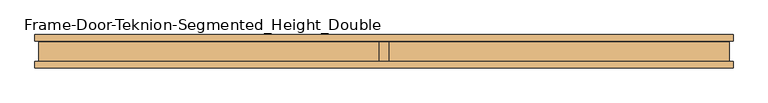
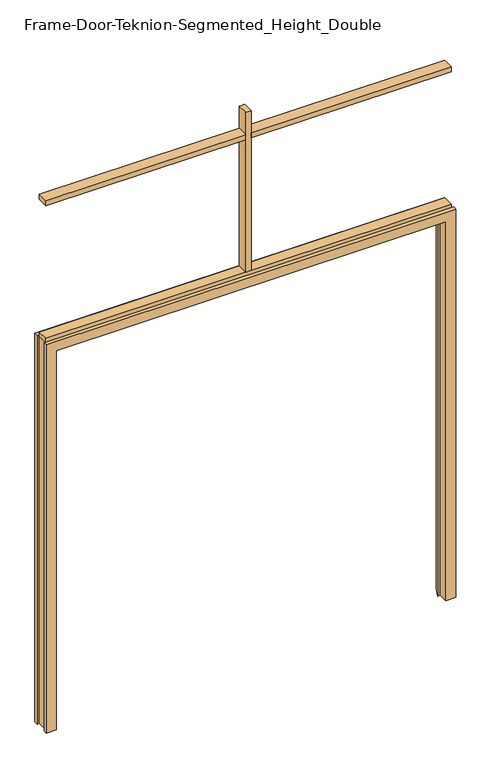
"""IFC4 building model written with IfcOpenShell, lengths in millimetres: door geometry, Frame-Door-Teknion-Segmented_Height_Double."""

import ifcopenshell
import ifcopenshell.guid

model = None  # the IFC model being written
_history = None  # IfcOwnerHistory: only IFC2X3 demands one
_inside = {}  # id of a spatial element -> (the spatial element, [elements in it])
_under = {}  # id of a project, library or spatial element -> (it, [spatial elements below it])
_declared = {}  # id of a project -> (the project, [libraries it declares])
_typed = {}  # id of a type object -> (the type object, [elements of that type])
_made_of = {}  # id of a material, layer set ... -> (it, [elements and type objects made of it])


def new_model(schema):
    """Start an empty IFC model of exactly this schema.

    Asked for "IFC4X3", IfcOpenShell would pick the latest addendum, in which some entities
    have other attributes; the version numbers below select the first issue.
    IFC2X3 requires an IfcOwnerHistory on every rooted entity: one is made here for all.
    """
    global model, _history
    if schema == "IFC4X3":
        model = ifcopenshell.file(schema_version=(4, 3, 0, 0))
    else:
        model = ifcopenshell.file(schema=schema)
    _inside.clear()
    _under.clear()
    _declared.clear()
    _typed.clear()
    _made_of.clear()
    _history = None
    if model.schema == "IFC2X3":
        org = make("IfcOrganization", Name="unknown")
        user = make(
            "IfcPersonAndOrganization",
            ThePerson=make("IfcPerson", FamilyName="unknown"),
            TheOrganization=org,
        )
        app = make(
            "IfcApplication",
            ApplicationDeveloper=org,
            Version="unknown",
            ApplicationFullName="unknown",
            ApplicationIdentifier="unknown",
        )
        _history = make(
            "IfcOwnerHistory",
            OwningUser=user,
            OwningApplication=app,
            ChangeAction="ADDED",
            CreationDate=0,
        )
    return model


def make(cls, **values):
    """One entity of the class cls with the attributes given. An attribute that is None is left unset."""
    return model.create_entity(
        cls, **{name: value for name, value in values.items() if value is not None}
    )


def rooted(cls, **values):
    """An entity with a GlobalId (a new one), such as an element, a storey or a relation."""
    return make(cls, GlobalId=ifcopenshell.guid.new(), OwnerHistory=_history, **values)


def si_unit(unit_type, name, prefix=None):
    """IfcSIUnit, for example si_unit("LENGTHUNIT", "METRE", prefix="MILLI")."""
    return make("IfcSIUnit", UnitType=unit_type, Prefix=prefix, Name=name)


def assignment(units):
    """IfcUnitAssignment: the units of a project."""
    return None if units is None else make("IfcUnitAssignment", Units=units)


def point(xyz):
    """IfcCartesianPoint."""
    return None if xyz is None else make("IfcCartesianPoint", Coordinates=xyz)


def direction(xyz):
    """IfcDirection."""
    return None if xyz is None else make("IfcDirection", DirectionRatios=xyz)


def frame(location, z_axis=None, x_axis=None):
    """IfcAxis2Placement3D, a coordinate frame: its origin and axes. An axis left out is left unset."""
    return make(
        "IfcAxis2Placement3D",
        Location=point(location),
        Axis=direction(z_axis),
        RefDirection=direction(x_axis),
    )


def origin():
    """The frame at (0, 0, 0) with its axes left unset."""
    return frame((0.0, 0.0, 0.0))


def place(relative_to, where):
    """IfcLocalPlacement: puts the frame where relative to a parent placement (None: the world)."""
    return make(
        "IfcLocalPlacement", PlacementRelTo=relative_to, RelativePlacement=where
    )


def context(
    kind, dimensions, precision=None, world=None, true_north=None, identifier=None
):
    """IfcGeometricRepresentationContext, for example the 3D "Model" context."""
    return make(
        "IfcGeometricRepresentationContext",
        ContextIdentifier=identifier,
        ContextType=kind,
        CoordinateSpaceDimension=dimensions,
        Precision=precision,
        WorldCoordinateSystem=world,
        TrueNorth=true_north,
    )


def project(units=None, contexts=None):
    """IfcProject with its units and contexts."""
    return rooted(
        "IfcProject",
        Name="project",
        RepresentationContexts=contexts,
        UnitsInContext=assignment(units),
    )


def spatial(cls, under=None, at=None, **own):
    """A site, building, storey or space (cls), placed at a placement, below another one or the project."""
    s = rooted(cls, ObjectPlacement=at, **own)
    if under is not None:
        _under.setdefault(under.id(), (under, []))[1].append(s)
    return s


def polyline(points):
    """IfcPolyline through the points."""
    return make("IfcPolyline", Points=[point(p) for p in points])


def outline(outer, holes=None, kind="AREA"):
    """IfcArbitraryClosedProfileDef: a profile drawn as a closed curve; with holes, ...WithVoids."""
    if holes is None:
        return make("IfcArbitraryClosedProfileDef", ProfileType=kind, OuterCurve=outer)
    return make(
        "IfcArbitraryProfileDefWithVoids",
        ProfileType=kind,
        OuterCurve=outer,
        InnerCurves=holes,
    )


def extrude(swept, where, along, depth):
    """IfcExtrudedAreaSolid: the profile swept, set in the frame where, extruded along a direction by depth."""
    return make(
        "IfcExtrudedAreaSolid",
        SweptArea=swept,
        Position=where,
        ExtrudedDirection=direction(along),
        Depth=depth,
    )


def faces_of(points, faces, orient=None, outer=None):
    """IfcFace entities. A face is a list of loops; a loop is a list of indices into points, from 0.

    orient and outer hold one flag for each loop. By default every Orientation is true, the
    first loop of a face is its IfcFaceOuterBound and the others are IfcFaceBound.
    """
    made = []
    for i, loops in enumerate(faces):
        bounds = []
        for j, loop in enumerate(loops):
            is_outer = j == 0 if outer is None else outer[i][j]
            bounds.append(
                make(
                    "IfcFaceOuterBound" if is_outer else "IfcFaceBound",
                    Bound=make("IfcPolyLoop", Polygon=[points[k] for k in loop]),
                    Orientation=True if orient is None else orient[i][j],
                )
            )
        made.append(make("IfcFace", Bounds=bounds))
    return made


def faceted_brep(points, faces, orient=None, outer=None, voids=None):
    """IfcFacetedBrep: a solid bounded by flat faces; with voids (closed shells), ...WithVoids."""
    shared = [point(p) for p in points]
    hull = make("IfcClosedShell", CfsFaces=faces_of(shared, faces, orient, outer))
    if voids is None:
        return make("IfcFacetedBrep", Outer=hull)
    return make(
        "IfcFacetedBrepWithVoids",
        Outer=hull,
        Voids=[
            make(cls, CfsFaces=faces_of(shared, fs, o, b)) for cls, fs, o, b in voids
        ],
    )


def shape(context_of_items, identifier, shape_type, items):
    """IfcShapeRepresentation: the items that make up one representation, for example the "Body"."""
    return make(
        "IfcShapeRepresentation",
        ContextOfItems=context_of_items,
        RepresentationIdentifier=identifier,
        RepresentationType=shape_type,
        Items=items,
    )


def source(mapping_origin, context_of_items, identifier, shape_type, items):
    """IfcRepresentationMap: a shape defined once, which mapped items show again and again."""
    return make(
        "IfcRepresentationMap",
        MappingOrigin=mapping_origin,
        MappedRepresentation=shape(context_of_items, identifier, shape_type, items),
    )


def transform(
    local_origin,
    x_axis=None,
    y_axis=None,
    z_axis=None,
    scale=None,
    scale2=None,
    scale3=None,
    uniform=True,
):
    """IfcCartesianTransformationOperator3D, or its non-uniform kind. x_axis, y_axis, z_axis: its Axis1, 2, 3."""
    if uniform:
        return make(
            "IfcCartesianTransformationOperator3D",
            Axis1=direction(x_axis),
            Axis2=direction(y_axis),
            LocalOrigin=point(local_origin),
            Scale=scale,
            Axis3=direction(z_axis),
        )
    return make(
        "IfcCartesianTransformationOperator3DnonUniform",
        Axis1=direction(x_axis),
        Axis2=direction(y_axis),
        LocalOrigin=point(local_origin),
        Scale=scale,
        Axis3=direction(z_axis),
        Scale2=scale2,
        Scale3=scale3,
    )


def mapped(mapping_source, mapping_target):
    """IfcMappedItem: shows the shape of a source again, moved by a transform."""
    return make(
        "IfcMappedItem", MappingSource=mapping_source, MappingTarget=mapping_target
    )


def made_of(thing, what):
    """Note that an element or type object is made of a material, layer set ...; save() writes the relation."""
    if what is not None:
        _made_of.setdefault(what.id(), (what, []))[1].append(thing)
    return thing


def element(
    cls,
    number,
    at=None,
    inside=None,
    cuts=None,
    type_object=None,
    material=None,
    context=None,
    identifier="Body",
    shape_type=None,
    held_by="IfcProductDefinitionShape",
    body=None,
    shapes=None,
    **own,
):
    """One element of the class cls, such as IfcWall. Its Tag is "e" and its number.

    at: its placement. inside: the storey or other place that contains it. cuts: it is an
    opening in that element (IfcRelVoidsElement). A single representation is given by context,
    identifier, shape_type and body (its items); several are given by shapes. held_by: the class
    of the entity that holds the representations. save() writes the other relations.
    """
    e = rooted(cls, Tag="e%d" % number, ObjectPlacement=at, **own)
    if body is not None:
        shapes = [shape(context, identifier, shape_type, body)]
    if shapes is not None:
        e.Representation = make(held_by, Representations=shapes)
    if inside is not None:
        _inside.setdefault(inside.id(), (inside, []))[1].append(e)
    if cuts is not None:
        rooted(
            "IfcRelVoidsElement", RelatingBuildingElement=cuts, RelatedOpeningElement=e
        )
    if type_object is not None:
        _typed.setdefault(type_object.id(), (type_object, []))[1].append(e)
    return made_of(e, material)


def aggregate(whole, parts):
    """IfcRelAggregates: a whole, such as a stair, and the parts it consists of."""
    return rooted("IfcRelAggregates", RelatingObject=whole, RelatedObjects=parts)


def save(model, path):
    """Write the relations noted so far, then the file.

    IfcRelAggregates (storeys below a building ...), IfcRelContainedInSpatialStructure (elements
    in a storey), IfcRelDefinesByType, IfcRelAssociatesMaterial and IfcRelDeclares: one each for
    every whole, place, type object, material and project.
    """
    for whole, parts in _under.values():
        aggregate(whole, parts)
    for where, things in _inside.values():
        rooted(
            "IfcRelContainedInSpatialStructure",
            RelatedElements=things,
            RelatingStructure=where,
        )
    for kind, things in _typed.values():
        rooted("IfcRelDefinesByType", RelatedObjects=things, RelatingType=kind)
    for what, things in _made_of.values():
        rooted("IfcRelAssociatesMaterial", RelatedObjects=things, RelatingMaterial=what)
    for by, libraries in _declared.values():
        rooted("IfcRelDeclares", RelatingContext=by, RelatedDefinitions=libraries)
    model.write(path)


def frame_door_teknion_segmented_height_double_338a7b71(model_context):
    return source(origin(), model_context, "Body", "SolidModel", [
        faceted_brep([(-1012.3807565, -50.8, 0.0), (-1063.8157565, -50.8, 0.0), (-1063.8157565, -31.5339997, 0.0), (-1052.8101562, -31.5339997, 0.0), (-1052.8101562, 31.5339997, 0.0), (-1063.8157565, 31.5339997, 0.0), (-1063.8157565, 50.8, 0.0), (-1021.9054518, 50.8, 0.0), (-999.4583342, -0.7133435, 0.0), (-1012.3807565, -0.7133435, 0.0), (-1012.3807565, -0.7133435, 2082.165), (-1012.3807565, -50.8, 2082.165), (-999.4583342, -0.7133435, 2069.2425776), (999.4583342, -0.7133435, 2069.2425776), (999.4583342, -0.7133435, 0.0), (1012.3807565, -0.7133435, 0.0), (1012.3807565, -0.7133435, 2082.165), (-1021.9054518, 50.8, 2091.6896953), (-1063.8157565, 50.8, 2133.6), (1063.8157565, 50.8, 2133.6), (1063.8157565, 50.8, 0.0), (1021.9054518, 50.8, 0.0), (1021.9054518, 50.8, 2091.6896953), (-1063.8157565, 31.5339997, 2133.6), (-1052.8101562, 31.5339997, 2122.5943997), (1052.8101563, 31.5339997, 2122.5943997), (1052.8101563, 31.5339997, 0.0), (1063.8157565, 31.5339997, 0.0), (1063.8157565, 31.5339997, 2133.6), (-1052.8101562, -31.5339997, 2122.5943997), (-1063.8157565, -31.5339997, 2133.6), (1063.8157565, -31.5339997, 2133.6), (1063.8157565, -31.5339997, 0.0), (1052.8101563, -31.5339997, 0.0), (1052.8101563, -31.5339997, 2122.5943997), (-1063.8157565, -50.8, 2133.6), (1012.3807565, -50.8, 2082.165), (1012.3807565, -50.8, 0.0), (1063.8157565, -50.8, 0.0), (1063.8157565, -50.8, 2133.6)], [[[0, 1, 2, 3, 4, 5, 6, 7, 8, 9]], [[9, 10, 11, 0]], [[8, 12, 13, 14, 15, 16, 10, 9]], [[7, 17, 12, 8]], [[6, 18, 19, 20, 21, 22, 17, 7]], [[5, 23, 18, 6]], [[4, 24, 25, 26, 27, 28, 23, 5]], [[3, 29, 24, 4]], [[2, 30, 31, 32, 33, 34, 29, 3]], [[1, 35, 30, 2]], [[0, 11, 36, 37, 38, 39, 35, 1]], [[37, 15, 14, 21, 20, 27, 26, 33, 32, 38]], [[16, 15, 37, 36]], [[22, 21, 14, 13]], [[28, 27, 20, 19]], [[34, 33, 26, 25]], [[39, 38, 32, 31]], [[10, 16, 36, 11]], [[17, 22, 13, 12]], [[23, 28, 19, 18]], [[29, 34, 25, 24]], [[35, 39, 31, 30]]]),
        extrude(outline(polyline([(-13.9898437, 28.971875), (13.9898438, 28.971875), (13.9898438, -28.971875), (-13.9898437, -28.971875), (-13.9898437, 28.971875)])), frame((0.0, 0.0, 2150.745), z_axis=(0.0, 0.0, 1.0), x_axis=(1.0, 0.0, 0.0)), (0.0, 0.0, 1.0), 878.205),
        extrude(outline(polyline([(-1052.8101562, 29.21), (1052.8101563, 29.21), (1052.8101563, -29.21), (-1052.8101562, -29.21), (-1052.8101562, 29.21)])), frame((0.0, 0.0, 2122.805), z_axis=(0.0, 0.0, 1.0), x_axis=(1.0, 0.0, 0.0)), (0.0, 0.0, 1.0), 27.94),
        extrude(outline(polyline([(1052.8101563, -29.21), (13.9898437, -29.21), (13.9898437, 29.21), (1052.8101563, 29.21), (1052.8101563, -29.21)])), frame((0.0, 0.0, 2879.725), z_axis=(0.0, 0.0, 1.0), x_axis=(1.0, 0.0, 0.0)), (0.0, 0.0, 1.0), 27.94),
        extrude(outline(polyline([(-13.9898437, -29.21), (-1052.8101562, -29.21), (-1052.8101562, 29.21), (-13.9898437, 29.21), (-13.9898437, -29.21)])), frame((0.0, 0.0, 2879.725), z_axis=(0.0, 0.0, 1.0), x_axis=(1.0, 0.0, 0.0)), (0.0, 0.0, 1.0), 27.94),
    ])


if __name__ == "__main__":
    model = new_model("IFC4")
    model_context = context("Model", 3, world=origin())
    ifc_project = project(units=[si_unit("LENGTHUNIT", "METRE", prefix="MILLI")], contexts=[model_context])
    site = spatial("IfcSite", under=ifc_project)
    building = spatial("IfcBuilding", under=site)
    placement = place(None, origin())
    frame_door_teknion_segmented_height_double_shape = frame_door_teknion_segmented_height_double_338a7b71(model_context)
    element("IfcDoor", 1, ObjectType="Frame-Door-Teknion-Segmented_Height_Double", at=placement, inside=building, context=model_context, shape_type="MappedRepresentation", body=[
        mapped(frame_door_teknion_segmented_height_double_shape, transform((0.0, 0.0, 0.0), x_axis=(1.0, 0.0, 0.0), y_axis=(0.0, 1.0, 0.0), z_axis=(0.0, 0.0, 1.0))),
    ])
    save(model, "model.ifc")
